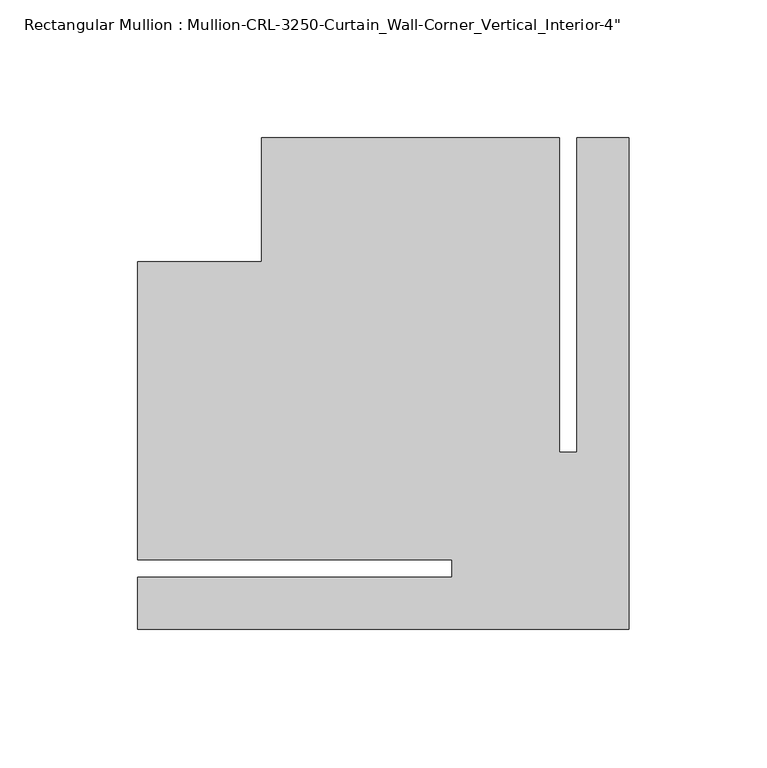
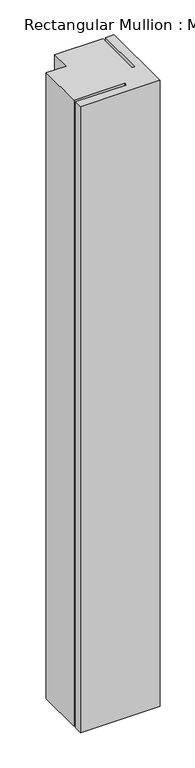
"""IFC4 building model written with IfcOpenShell, lengths in millimetres: member geometry."""

from ifc_helpers import new_model, si_unit, frame, origin, place, context, project, spatial, polyline, outline, extrude, source, transform, mapped, element, save


def member_5a517591(model_context):
    return source(origin(), model_context, "Body", "SweptSolid", [
        extrude(outline(polyline([(0.0, 156.1677758), (0.0, -22.1804076), (-178.3499899, -22.1804076), (-178.3499899, -3.175), (-64.2269237, -3.175), (-64.2269237, 3.175), (-178.3499899, 3.175), (-178.3499899, 111.1695924), (-133.35, 111.1695924), (-133.35, 156.1677758), (-25.3711738, 156.1677758), (-25.3711738, 42.0465161), (-19.0211738, 42.0465161), (-19.0211738, 156.1677758), (0.0, 156.1677758)])), frame((0.0, 0.0, -1485.9), z_axis=(0.0, 0.0, 1.0), x_axis=(1.0, 0.0, 0.0)), (0.0, 0.0, 1.0), 1485.9),
    ])


if __name__ == "__main__":
    model = new_model("IFC4")
    model_context = context("Model", 3, world=origin())
    ifc_project = project(units=[si_unit("LENGTHUNIT", "METRE", prefix="MILLI")], contexts=[model_context])
    site = spatial("IfcSite", under=ifc_project)
    building = spatial("IfcBuilding", under=site)
    placement = place(None, origin())
    member_shape = member_5a517591(model_context)
    element("IfcMember", 1, ObjectType="Rectangular Mullion : Mullion-CRL-3250-Curtain_Wall-Corner_Vertical_Interior-4\"", at=placement, inside=building, context=model_context, shape_type="MappedRepresentation", body=[
        mapped(member_shape, transform((0.0, 0.0, 0.0), x_axis=(1.0, 0.0, 0.0), y_axis=(0.0, 1.0, 0.0), z_axis=(0.0, 0.0, 1.0))),
    ])
    save(model, "model.ifc")
